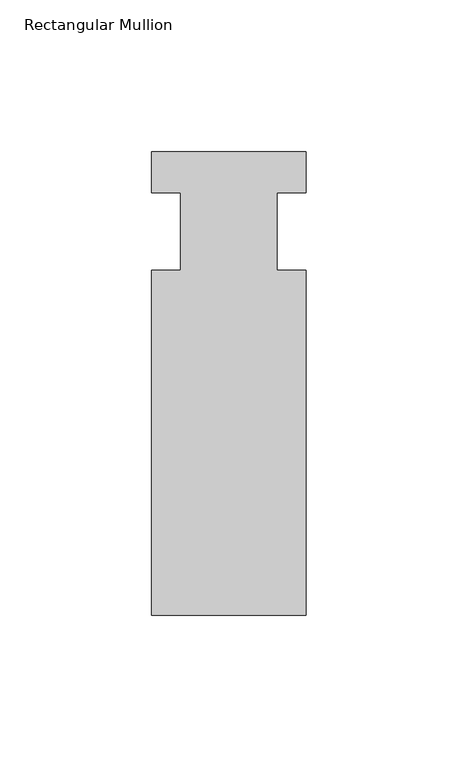
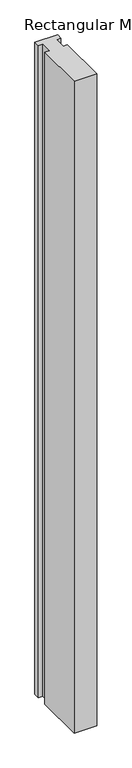
"""IFC4 building model written with IfcOpenShell, lengths in millimetres: member geometry, Rectangular Mullion."""

from ifc_helpers import new_model, si_unit, frame, origin, place, context, project, spatial, polyline, outline, extrude, source, transform, mapped, element, save


def rectangular_mullion_546919dc(model_context):
    return source(origin(), model_context, "Body", "SweptSolid", [
        extrude(outline(polyline([(-25.4, 26.19375), (25.4, 26.19375), (25.4, 12.7), (15.875, 12.7), (15.875, -12.7), (25.4, -12.7), (25.4, -126.20625), (-25.4, -126.20625), (-25.4, -12.7), (-15.875, -12.7), (-15.875, 12.7), (-25.4, 12.7), (-25.4, 26.19375)])), frame((0.0, 0.0, -1549.4), z_axis=(0.0, 0.0, 1.0), x_axis=(1.0, 0.0, 0.0)), (0.0, 0.0, 1.0), 1549.4),
    ])


if __name__ == "__main__":
    model = new_model("IFC4")
    model_context = context("Model", 3, world=origin())
    ifc_project = project(units=[si_unit("LENGTHUNIT", "METRE", prefix="MILLI")], contexts=[model_context])
    site = spatial("IfcSite", under=ifc_project)
    building = spatial("IfcBuilding", under=site)
    placement = place(None, origin())
    rectangular_mullion_shape = rectangular_mullion_546919dc(model_context)
    element("IfcMember", 1, ObjectType="Rectangular Mullion", at=placement, inside=building, context=model_context, shape_type="MappedRepresentation", body=[
        mapped(rectangular_mullion_shape, transform((0.0, 0.0, 0.0), x_axis=(1.0, 0.0, 0.0), y_axis=(0.0, 1.0, 0.0), z_axis=(0.0, 0.0, 1.0))),
    ])
    save(model, "model.ifc")
